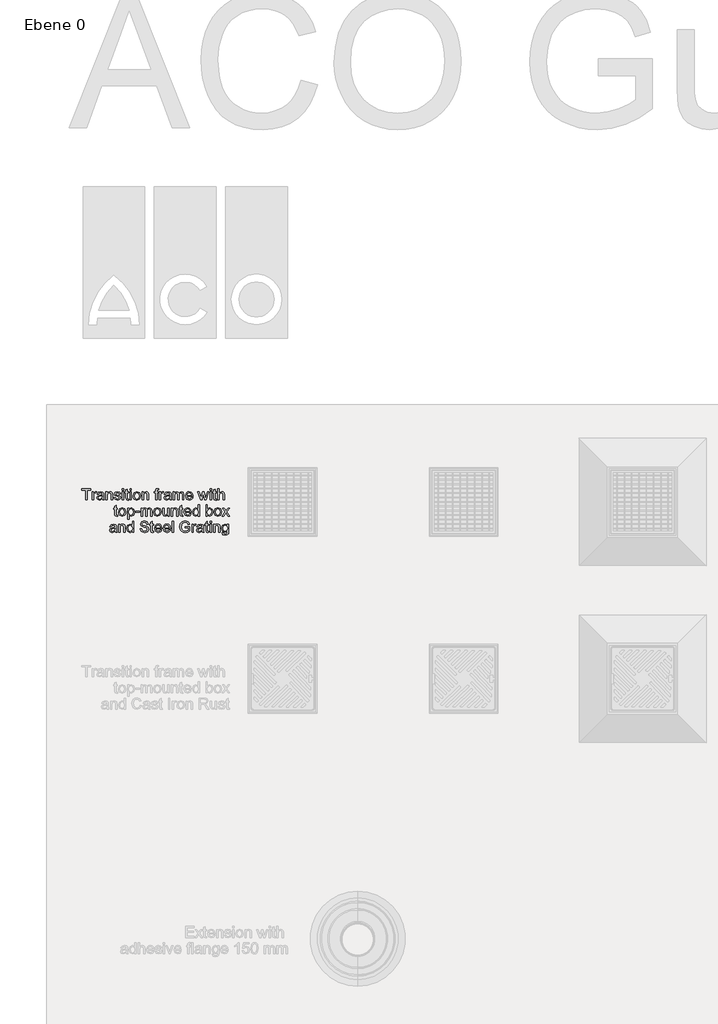
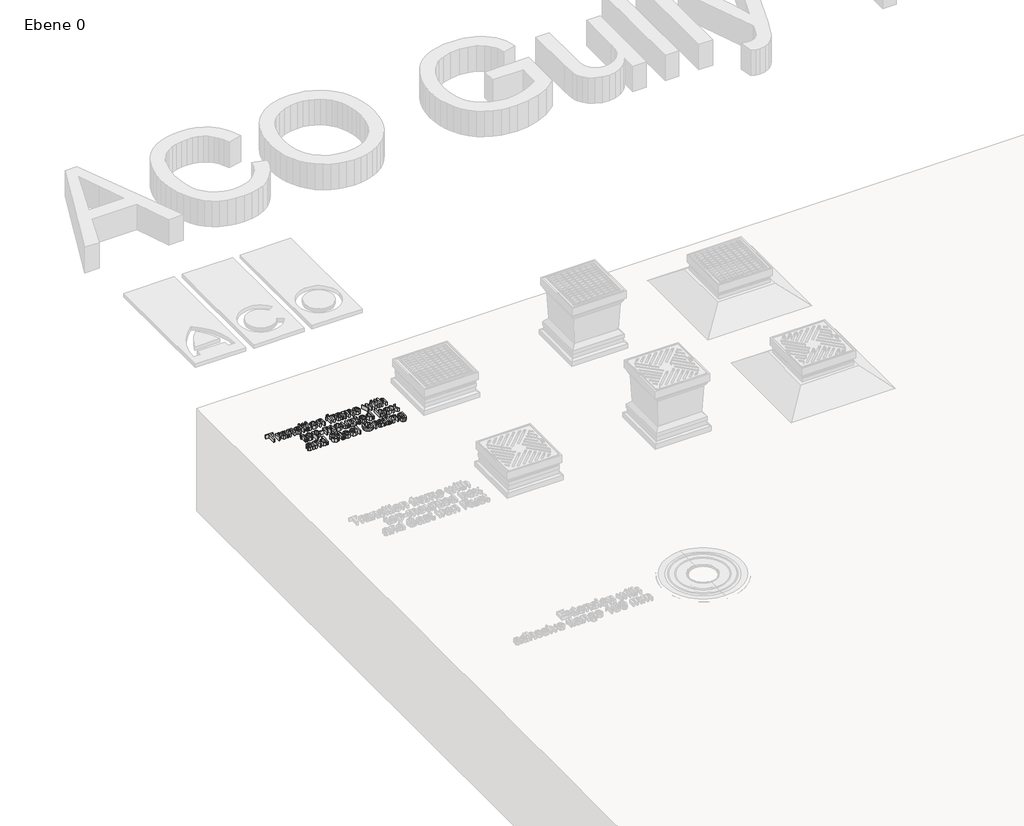
# One storey, part 9 of 12: 1 proxy.
"""IFC4 building model written with IfcOpenShell, lengths in millimetres."""

from ifc_helpers import new_model, si_unit, origin, origin_with_axes, place, context, project, spatial, polyline, outline, extrude, element, save

model = new_model("IFC4")

# Units and contexts
model_context = context("Model", 3, world=origin())
ifc_project = project(units=[si_unit("LENGTHUNIT", "METRE", prefix="MILLI")], contexts=[model_context])

# Site, building, storey
site = spatial("IfcSite", under=ifc_project)
building = spatial("IfcBuilding", under=site)
storey = spatial("IfcBuildingStorey", under=building, Name="Ebene 0", Elevation=0.0)

# Proxy
placement = place(None, origin())
element("IfcBuildingElementProxy", 1, Name="100mm ACO", ObjectType="100mm ACO", at=placement, inside=storey, context=model_context, shape_type="SweptSolid", body=[
    extrude(outline(polyline([(-29308.106162, 22925.4208709), (-29324.8702429, 22925.4208709), (-29324.8702429, 22880.7166552), (-29331.3896076, 22880.7166552), (-29331.3896076, 22925.4208709), (-29348.1536885, 22925.4208709), (-29348.1536885, 22931.0088979), (-29308.106162, 22931.0088979), (-29308.106162, 22925.4208709)])), origin_with_axes(), (0.0, 0.0, 1.0), 20.0),
    extrude(outline(polyline([(-29282.0287028, 22916.5440573), (-29284.0660043, 22912.3821414), (-29288.3443375, 22913.3134792), (-29293.3648304, 22910.0392446), (-29295.0674324, 22900.8713879), (-29295.0674324, 22880.7166552), (-29301.5867972, 22880.7166552), (-29301.5867972, 22917.0388305), (-29295.9987702, 22917.0388305), (-29295.9987702, 22911.6545337), (-29288.2715767, 22917.9701683), (-29282.0287028, 22916.5440573)])), origin_with_axes(), (0.0, 0.0, 1.0), 20.0),
    extrude(outline(polyline([(-29246.6378654, 22880.7166552), (-29253.1572302, 22880.7166552), (-29255.0199058, 22885.1114056), (-29268.0731876, 22879.7853174), (-29276.928173, 22882.6957481), (-29280.1660272, 22890.3792852), (-29276.9936577, 22897.9245768), (-29265.9776775, 22901.8463822), (-29260.2732333, 22902.7195114), (-29255.0199058, 22904.0001009), (-29255.1872556, 22908.0383235), (-29256.1622499, 22910.4903614), (-29258.7598093, 22912.534939), (-29263.5765721, 22913.3134792), (-29269.6520962, 22911.7345705), (-29272.7153245, 22905.8627766), (-29279.2346893, 22906.663145), (-29274.0905031, 22915.1324984), (-29262.6888908, 22917.9701683), (-29253.0044326, 22916.0274558), (-29249.2063205, 22911.3416624), (-29248.500541, 22904.2765918), (-29248.500541, 22895.9673122), (-29248.2240501, 22885.7808047), (-29246.6378654, 22880.7166552)]), holes=[polyline([(-29255.0199058, 22897.0150672), (-29255.0199058, 22899.3434118), (-29266.7271134, 22896.6658155), (-29271.9167751, 22894.624876), (-29273.6466624, 22890.4811503), (-29271.7839867, 22886.1446085), (-29266.4142421, 22884.4420066), (-29258.4614901, 22887.2942286), (-29255.0199058, 22897.0150672)])]), origin_with_axes(), (0.0, 0.0, 1.0), 20.0),
    extrude(outline(polyline([(-29209.3843523, 22880.7166552), (-29215.9037171, 22880.7166552), (-29215.9037171, 22903.3307019), (-29217.8464296, 22911.1743126), (-29223.2525546, 22913.3134792), (-29228.2948758, 22911.9455768), (-29231.6709755, 22908.0892561), (-29232.667798, 22901.0460137), (-29232.667798, 22880.7166552), (-29239.1871628, 22880.7166552), (-29239.1871628, 22917.0388305), (-29233.5991358, 22917.0388305), (-29233.5991358, 22911.9892332), (-29228.6222993, 22916.4785726), (-29221.957413, 22917.9701683), (-29216.2384166, 22916.9369654), (-29211.8145619, 22913.8446328), (-29209.7990887, 22909.4498824), (-29209.3843523, 22903.1415239), (-29209.3843523, 22880.7166552)])), origin_with_axes(), (0.0, 0.0, 1.0), 20.0),
    extrude(outline(polyline([(-29179.5815418, 22906.7941144), (-29181.9899233, 22911.683638), (-29187.556122, 22913.3134792), (-29193.246014, 22911.9164724), (-29195.4142849, 22907.8564216), (-29193.9808978, 22904.2620397), (-29187.2214225, 22902.3120511), (-29178.3082284, 22900.216541), (-29173.7606804, 22897.0368954), (-29172.1308392, 22891.3397273), (-29176.1763379, 22883.1250367), (-29186.988588, 22879.7853174), (-29197.9972922, 22882.5938831), (-29202.8649875, 22891.0050278), (-29196.3456227, 22891.8927092), (-29193.529781, 22886.2974061), (-29186.988588, 22884.4420066), (-29180.8039227, 22886.3701669), (-29178.650204, 22891.0632364), (-29179.6179222, 22894.0682561), (-29182.0335797, 22895.763582), (-29188.8658158, 22897.2187974), (-29199.3942989, 22901.1478788), (-29201.9336497, 22907.4780656), (-29198.171918, 22915.0088051), (-29188.0508952, 22917.9701683), (-29177.5515164, 22915.379885), (-29173.0621771, 22907.6235872), (-29179.5815418, 22906.7941144)])), origin_with_axes(), (0.0, 0.0, 1.0), 20.0),
    extrude(outline(polyline([(-29159.0921096, 22880.7166552), (-29165.6114744, 22880.7166552), (-29165.6114744, 22917.0388305), (-29159.0921096, 22917.0388305), (-29159.0921096, 22880.7166552)])), origin_with_axes(), (0.0, 0.0, 1.0), 20.0),
    extrude(outline(polyline([(-29159.0921096, 22924.4895331), (-29165.6114744, 22924.4895331), (-29165.6114744, 22931.0088979), (-29159.0921096, 22931.0088979), (-29159.0921096, 22924.4895331)])), origin_with_axes(), (0.0, 0.0, 1.0), 20.0),
    extrude(outline(polyline([(-29135.808664, 22880.2073299), (-29140.3780402, 22879.7853174), (-29146.2061777, 22881.2332567), (-29148.4399333, 22884.9076755), (-29148.8473936, 22891.1068929), (-29148.8473936, 22912.3821414), (-29153.5040827, 22912.3821414), (-29153.5040827, 22917.0388305), (-29148.8473936, 22917.0388305), (-29148.8473936, 22926.2648958), (-29142.3280288, 22930.0775601), (-29142.3280288, 22917.0388305), (-29136.7400018, 22917.0388305), (-29136.7400018, 22912.3821414), (-29142.3280288, 22912.3821414), (-29142.3280288, 22889.7971991), (-29141.8041512, 22885.6643874), (-29139.1411071, 22884.4420066), (-29136.6090324, 22884.4420066), (-29135.808664, 22880.2073299)])), origin_with_axes(), (0.0, 0.0, 1.0), 20.0),
    extrude(outline(polyline([(-29123.7012722, 22880.7166552), (-29130.220637, 22880.7166552), (-29130.220637, 22917.0388305), (-29123.7012722, 22917.0388305), (-29123.7012722, 22880.7166552)])), origin_with_axes(), (0.0, 0.0, 1.0), 20.0),
    extrude(outline(polyline([(-29123.7012722, 22924.4895331), (-29130.220637, 22924.4895331), (-29130.220637, 22931.0088979), (-29123.7012722, 22931.0088979), (-29123.7012722, 22924.4895331)])), origin_with_axes(), (0.0, 0.0, 1.0), 20.0),
    extrude(outline(polyline([(-29099.5010409, 22917.9701683), (-29087.4882381, 22913.1534055), (-29082.7224078, 22899.459829), (-29084.0120924, 22890.270144), (-29087.8811463, 22884.2382764), (-29099.5010409, 22879.7853174), (-29111.266457, 22884.3619697), (-29115.0045415, 22890.2792391), (-29116.2505696, 22898.8777429), (-29111.4338068, 22913.2407184), (-29099.5010409, 22917.9701683)]), holes=[polyline([(-29099.5010409, 22884.4420066), (-29091.8538842, 22888.4802292), (-29089.2417726, 22899.1105773), (-29092.1958598, 22909.7336494), (-29099.5010409, 22913.3134792), (-29106.8571545, 22909.6827169), (-29109.7312048, 22898.8631907), (-29106.806222, 22888.0727689), (-29099.5010409, 22884.4420066)])]), origin_with_axes(), (0.0, 0.0, 1.0), 20.0),
    extrude(outline(polyline([(-29045.4688948, 22880.7166552), (-29051.9882595, 22880.7166552), (-29051.9882595, 22903.3307019), (-29053.930972, 22911.1743126), (-29059.3370971, 22913.3134792), (-29064.3794183, 22911.9455768), (-29067.7555179, 22908.0892561), (-29068.7523404, 22901.0460137), (-29068.7523404, 22880.7166552), (-29075.2717052, 22880.7166552), (-29075.2717052, 22917.0388305), (-29069.6836783, 22917.0388305), (-29069.6836783, 22911.9892332), (-29064.7068417, 22916.4785726), (-29058.0419554, 22917.9701683), (-29052.3229591, 22916.9369654), (-29047.8991044, 22913.8446328), (-29045.8836311, 22909.4498824), (-29045.4688948, 22903.1415239), (-29045.4688948, 22880.7166552)])), origin_with_axes(), (0.0, 0.0, 1.0), 20.0),
    extrude(outline(polyline([(-28999.8333412, 22931.4600147), (-29000.6337097, 22927.2835466), (-29003.8060791, 22927.2835466), (-29006.9784486, 22926.2139633), (-29008.2153817, 22920.9242555), (-29008.2153817, 22917.0388305), (-29002.6273547, 22917.0388305), (-29002.6273547, 22912.3821414), (-29008.2153817, 22912.3821414), (-29008.2153817, 22880.7166552), (-29014.7347465, 22880.7166552), (-29014.7347465, 22912.3821414), (-29020.3227734, 22912.3821414), (-29020.3227734, 22917.0388305), (-29014.7347465, 22917.0388305), (-29014.7347465, 22921.0261206), (-29014.2472493, 22926.0466135), (-29011.6787942, 22930.1212165), (-29005.2612945, 22931.9402357), (-28999.8333412, 22931.4600147)])), origin_with_axes(), (0.0, 0.0, 1.0), 20.0),
    extrude(outline(polyline([(-28977.4812334, 22916.5440573), (-28979.5185349, 22912.3821414), (-28983.796868, 22913.3134792), (-28988.817361, 22910.0392446), (-28990.519963, 22900.8713879), (-28990.519963, 22880.7166552), (-28997.0393277, 22880.7166552), (-28997.0393277, 22917.0388305), (-28991.4513008, 22917.0388305), (-28991.4513008, 22911.6545337), (-28983.7241072, 22917.9701683), (-28977.4812334, 22916.5440573)])), origin_with_axes(), (0.0, 0.0, 1.0), 20.0),
    extrude(outline(polyline([(-28942.0903959, 22880.7166552), (-28948.6097607, 22880.7166552), (-28950.4724364, 22885.1114056), (-28963.5257181, 22879.7853174), (-28972.3807036, 22882.6957481), (-28975.6185577, 22890.3792852), (-28972.4461882, 22897.9245768), (-28961.430208, 22901.8463822), (-28955.7257638, 22902.7195114), (-28950.4724364, 22904.0001009), (-28950.6397862, 22908.0383235), (-28951.6147804, 22910.4903614), (-28954.2123399, 22912.534939), (-28959.0291027, 22913.3134792), (-28965.1046268, 22911.7345705), (-28968.1678551, 22905.8627766), (-28974.6872199, 22906.663145), (-28969.5430336, 22915.1324984), (-28958.1414213, 22917.9701683), (-28948.4569631, 22916.0274558), (-28944.6588511, 22911.3416624), (-28943.9530716, 22904.2765918), (-28943.9530716, 22895.9673122), (-28943.6765807, 22885.7808047), (-28942.0903959, 22880.7166552)]), holes=[polyline([(-28950.4724364, 22897.0150672), (-28950.4724364, 22899.3434118), (-28962.1796439, 22896.6658155), (-28967.3693057, 22894.624876), (-28969.0991929, 22890.4811503), (-28967.2365173, 22886.1446085), (-28961.8667726, 22884.4420066), (-28953.9140207, 22887.2942286), (-28950.4724364, 22897.0150672)])]), origin_with_axes(), (0.0, 0.0, 1.0), 20.0),
    extrude(outline(polyline([(-28886.2101263, 22880.7166552), (-28892.7294911, 22880.7166552), (-28892.7294911, 22904.2038311), (-28893.0569146, 22908.6349618), (-28894.7595165, 22911.8946442), (-28899.0451258, 22913.3134792), (-28905.0842695, 22910.7231959), (-28907.6308963, 22902.3120511), (-28907.6308963, 22880.7166552), (-28914.1502611, 22880.7166552), (-28914.1502611, 22904.9023344), (-28915.750998, 22911.5235643), (-28920.2912699, 22913.3134792), (-28926.5923524, 22910.5121896), (-28929.0516664, 22900.027363), (-28929.0516664, 22880.7166552), (-28935.5710312, 22880.7166552), (-28935.5710312, 22917.0388305), (-28929.9830042, 22917.0388305), (-28929.9830042, 22912.061994), (-28925.2644684, 22916.4931247), (-28918.9524718, 22917.9701683), (-28912.3239659, 22916.3767075), (-28908.5622342, 22911.5817729), (-28903.7745757, 22916.3730695), (-28897.4443889, 22917.9701683), (-28889.018692, 22914.9142161), (-28886.2101263, 22905.7463593), (-28886.2101263, 22880.7166552)])), origin_with_axes(), (0.0, 0.0, 1.0), 20.0),
    extrude(outline(polyline([(-28845.2312619, 22897.4807361), (-28872.2400589, 22897.4807361), (-28868.8275789, 22887.7890019), (-28861.253183, 22884.4420066), (-28855.381389, 22886.2974061), (-28851.7506267, 22891.8927092), (-28845.2312619, 22891.1359972), (-28850.921154, 22882.7248524), (-28861.253183, 22879.7853174), (-28874.1245628, 22884.8276386), (-28878.7594237, 22898.601252), (-28874.2919126, 22912.6004237), (-28868.9112538, 22916.6277322), (-28861.7042998, 22917.9701683), (-28854.049867, 22916.231186), (-28847.799717, 22910.3084595), (-28845.2312619, 22897.4807361)]), holes=[polyline([(-28851.7506267, 22902.1374253), (-28855.184935, 22910.6940916), (-28861.8643734, 22913.3134792), (-28868.9949287, 22910.1993183), (-28872.2400589, 22902.1374253), (-28851.7506267, 22902.1374253)])]), origin_with_axes(), (0.0, 0.0, 1.0), 20.0),
    extrude(outline(polyline([(-28773.2854148, 22917.0388305), (-28785.4510152, 22880.7166552), (-28791.6211283, 22880.7166552), (-28796.90356, 22902.5448856), (-28797.565683, 22905.4916967), (-28798.1987017, 22908.7149987), (-28804.6162014, 22880.7166552), (-28810.7863145, 22880.7166552), (-28823.1119885, 22917.0388305), (-28817.3056793, 22917.0388305), (-28808.4434178, 22888.2546708), (-28807.3811106, 22893.1587465), (-28801.8221879, 22917.0388305), (-28794.531559, 22917.0388305), (-28790.1222565, 22897.9900615), (-28788.0704028, 22889.0404871), (-28779.1062762, 22917.0388305), (-28773.2854148, 22917.0388305)])), origin_with_axes(), (0.0, 0.0, 1.0), 20.0),
    extrude(outline(polyline([(-28761.4108575, 22880.7166552), (-28767.9302223, 22880.7166552), (-28767.9302223, 22917.0388305), (-28761.4108575, 22917.0388305), (-28761.4108575, 22880.7166552)])), origin_with_axes(), (0.0, 0.0, 1.0), 20.0),
    extrude(outline(polyline([(-28761.4108575, 22924.4895331), (-28767.9302223, 22924.4895331), (-28767.9302223, 22931.0088979), (-28761.4108575, 22931.0088979), (-28761.4108575, 22924.4895331)])), origin_with_axes(), (0.0, 0.0, 1.0), 20.0),
    extrude(outline(polyline([(-28738.1274118, 22880.2073299), (-28742.696788, 22879.7853174), (-28748.5249255, 22881.2332567), (-28750.7586811, 22884.9076755), (-28751.1661414, 22891.1068929), (-28751.1661414, 22912.3821414), (-28755.8228305, 22912.3821414), (-28755.8228305, 22917.0388305), (-28751.1661414, 22917.0388305), (-28751.1661414, 22926.2648958), (-28744.6467766, 22930.0775601), (-28744.6467766, 22917.0388305), (-28739.0587497, 22917.0388305), (-28739.0587497, 22912.3821414), (-28744.6467766, 22912.3821414), (-28744.6467766, 22889.7971991), (-28744.1228991, 22885.6643874), (-28741.459855, 22884.4420066), (-28738.9277803, 22884.4420066), (-28738.1274118, 22880.2073299)])), origin_with_axes(), (0.0, 0.0, 1.0), 20.0),
    extrude(outline(polyline([(-28702.7365744, 22880.7166552), (-28709.2559392, 22880.7166552), (-28709.2559392, 22904.2038311), (-28711.1113388, 22911.0360672), (-28716.6484332, 22913.3134792), (-28723.1532458, 22910.6286069), (-28726.0200201, 22901.0460137), (-28726.0200201, 22880.7166552), (-28732.5393849, 22880.7166552), (-28732.5393849, 22931.0088979), (-28726.0200201, 22931.0088979), (-28726.0200201, 22912.9933318), (-28715.1786657, 22917.9701683), (-28708.4992272, 22916.5295051), (-28704.02444, 22912.0983744), (-28702.7365744, 22903.7963708), (-28702.7365744, 22880.7166552)])), origin_with_axes(), (0.0, 0.0, 1.0), 20.0),
    extrude(outline(polyline([(-29186.1009066, 22806.9238842), (-29190.6702828, 22806.5018717), (-29196.4984203, 22807.949811), (-29198.7321759, 22811.6242298), (-29199.1396362, 22817.8234472), (-29199.1396362, 22839.0986957), (-29203.7963253, 22839.0986957), (-29203.7963253, 22843.7553848), (-29199.1396362, 22843.7553848), (-29199.1396362, 22852.9814502), (-29192.6202714, 22856.7941144), (-29192.6202714, 22843.7553848), (-29187.0322445, 22843.7553848), (-29187.0322445, 22839.0986957), (-29192.6202714, 22839.0986957), (-29192.6202714, 22816.5137534), (-29192.0963939, 22812.3809418), (-29189.4333498, 22811.1585609), (-29186.9012751, 22811.1585609), (-29186.1009066, 22806.9238842)])), origin_with_axes(), (0.0, 0.0, 1.0), 20.0),
    extrude(outline(polyline([(-29165.6260266, 22844.6867226), (-29153.6132238, 22839.8699598), (-29148.8473936, 22826.1763833), (-29150.1370782, 22816.9866984), (-29154.006132, 22810.9548307), (-29165.6260266, 22806.5018717), (-29177.3914427, 22811.078524), (-29181.1295272, 22816.9957935), (-29182.3755553, 22825.5942972), (-29177.5587925, 22839.9572727), (-29165.6260266, 22844.6867226)]), holes=[polyline([(-29165.6260266, 22811.1585609), (-29157.9788699, 22815.1967835), (-29155.3667583, 22825.8271317), (-29158.3208455, 22836.4502037), (-29165.6260266, 22840.0300335), (-29172.9821402, 22836.3992712), (-29175.8561905, 22825.579745), (-29172.9312077, 22814.7893232), (-29165.6260266, 22811.1585609)])]), origin_with_axes(), (0.0, 0.0, 1.0), 20.0),
    extrude(outline(polyline([(-29134.8118415, 22839.3751866), (-29124.6908187, 22844.6867226), (-29113.7475992, 22839.4770517), (-29109.7312048, 22825.8998924), (-29114.2714767, 22811.7479231), (-29125.4184263, 22806.5018717), (-29134.7027003, 22810.7802049), (-29134.8773261, 22793.4631422), (-29141.3966909, 22793.4631422), (-29141.3966909, 22843.7553848), (-29134.8773261, 22843.7553848), (-29134.8118415, 22839.3751866)]), holes=[polyline([(-29126.1314819, 22811.1585609), (-29119.0518592, 22814.8329796), (-29116.2505696, 22825.7834752), (-29118.9499941, 22836.3410626), (-29125.8549909, 22840.0300335), (-29133.0073744, 22835.9190501), (-29135.808664, 22825.2595977), (-29133.1237916, 22814.7456667), (-29126.1314819, 22811.1585609)])]), origin_with_axes(), (0.0, 0.0, 1.0), 20.0),
    extrude(outline(polyline([(-29085.5164213, 22824.1972905), (-29105.0745157, 22824.1972905), (-29105.0745157, 22828.8539796), (-29085.5164213, 22828.8539796), (-29085.5164213, 22824.1972905)])), origin_with_axes(), (0.0, 0.0, 1.0), 20.0),
    extrude(outline(polyline([(-29030.5674895, 22807.4332096), (-29037.0868543, 22807.4332096), (-29037.0868543, 22830.9203854), (-29037.4142778, 22835.3515161), (-29039.1168797, 22838.6111985), (-29043.4024889, 22840.0300335), (-29049.4416327, 22837.4397502), (-29051.9882595, 22829.0286054), (-29051.9882595, 22807.4332096), (-29058.5076243, 22807.4332096), (-29058.5076243, 22831.6188888), (-29060.1083612, 22838.2401186), (-29064.6486331, 22840.0300335), (-29070.9497156, 22837.228744), (-29073.4090296, 22826.7439173), (-29073.4090296, 22807.4332096), (-29079.9283944, 22807.4332096), (-29079.9283944, 22843.7553848), (-29074.3403674, 22843.7553848), (-29074.3403674, 22838.7785483), (-29069.6218316, 22843.2096791), (-29063.309835, 22844.6867226), (-29056.6813291, 22843.0932618), (-29052.9195974, 22838.2983272), (-29048.1319388, 22843.0896238), (-29041.8017521, 22844.6867226), (-29033.3760552, 22841.6307704), (-29030.5674895, 22832.4629137), (-29030.5674895, 22807.4332096)])), origin_with_axes(), (0.0, 0.0, 1.0), 20.0),
    extrude(outline(polyline([(-29006.3672582, 22844.6867226), (-28994.3544554, 22839.8699598), (-28989.5886251, 22826.1763833), (-28990.8783097, 22816.9866984), (-28994.7473636, 22810.9548307), (-29006.3672582, 22806.5018717), (-29018.1326743, 22811.078524), (-29021.8707588, 22816.9957935), (-29023.1167869, 22825.5942972), (-29018.3000241, 22839.9572727), (-29006.3672582, 22844.6867226)]), holes=[polyline([(-29006.3672582, 22811.1585609), (-28998.7201015, 22815.1967835), (-28996.1079899, 22825.8271317), (-28999.0620771, 22836.4502037), (-29006.3672582, 22840.0300335), (-29013.7233718, 22836.3992712), (-29016.5974221, 22825.579745), (-29013.6724392, 22814.7893232), (-29006.3672582, 22811.1585609)])]), origin_with_axes(), (0.0, 0.0, 1.0), 20.0),
    extrude(outline(polyline([(-28952.335112, 22807.4332096), (-28957.923139, 22807.4332096), (-28957.923139, 22812.7156413), (-28963.0746014, 22808.0553141), (-28969.5939662, 22806.5018717), (-28976.6954171, 22808.2699584), (-28981.046511, 22813.1376538), (-28982.1379225, 22821.1849947), (-28982.1379225, 22843.7553848), (-28975.6185577, 22843.7553848), (-28975.6185577, 22823.1495354), (-28975.167441, 22816.0626366), (-28972.8099921, 22812.5410155), (-28968.2697202, 22811.1585609), (-28961.8594965, 22813.632427), (-28958.8544768, 22823.8771431), (-28958.8544768, 22843.7553848), (-28952.335112, 22843.7553848), (-28952.335112, 22807.4332096)])), origin_with_axes(), (0.0, 0.0, 1.0), 20.0),
    extrude(outline(polyline([(-28913.2189233, 22807.4332096), (-28919.7382881, 22807.4332096), (-28919.7382881, 22830.0472562), (-28921.6810006, 22837.8908669), (-28927.0871256, 22840.0300335), (-28932.1294468, 22838.6621311), (-28935.5055465, 22834.8058104), (-28936.502369, 22827.7625681), (-28936.502369, 22807.4332096), (-28943.0217338, 22807.4332096), (-28943.0217338, 22843.7553848), (-28937.4337068, 22843.7553848), (-28937.4337068, 22838.7057875), (-28932.4568703, 22843.1951269), (-28925.791984, 22844.6867226), (-28920.0729876, 22843.6535197), (-28915.649133, 22840.5611871), (-28913.6336597, 22836.1664367), (-28913.2189233, 22829.8580782), (-28913.2189233, 22807.4332096)])), origin_with_axes(), (0.0, 0.0, 1.0), 20.0),
    extrude(outline(polyline([(-28889.9354776, 22806.9238842), (-28894.5048538, 22806.5018717), (-28900.3329913, 22807.949811), (-28902.5667469, 22811.6242298), (-28902.9742072, 22817.8234472), (-28902.9742072, 22839.0986957), (-28907.6308963, 22839.0986957), (-28907.6308963, 22843.7553848), (-28902.9742072, 22843.7553848), (-28902.9742072, 22852.9814502), (-28896.4548424, 22856.7941144), (-28896.4548424, 22843.7553848), (-28890.8668155, 22843.7553848), (-28890.8668155, 22839.0986957), (-28896.4548424, 22839.0986957), (-28896.4548424, 22816.5137534), (-28895.9309649, 22812.3809418), (-28893.2679208, 22811.1585609), (-28890.7358461, 22811.1585609), (-28889.9354776, 22806.9238842)])), origin_with_axes(), (0.0, 0.0, 1.0), 20.0),
    extrude(outline(polyline([(-28852.6819646, 22824.1972905), (-28879.6907615, 22824.1972905), (-28876.2782815, 22814.5055562), (-28868.7038856, 22811.1585609), (-28862.8320917, 22813.0139605), (-28859.2013293, 22818.6092635), (-28852.6819646, 22817.8525515), (-28858.3718566, 22809.4414068), (-28868.7038856, 22806.5018717), (-28881.5752654, 22811.5441929), (-28886.2101263, 22825.3178063), (-28881.7426152, 22839.316978), (-28876.3619564, 22843.3442865), (-28869.1550024, 22844.6867226), (-28861.5005696, 22842.9477403), (-28855.2504197, 22837.0250138), (-28852.6819646, 22824.1972905)]), holes=[polyline([(-28859.2013293, 22828.8539796), (-28862.6356376, 22837.4106459), (-28869.3150761, 22840.0300335), (-28876.4456313, 22836.9158727), (-28879.6907615, 22828.8539796), (-28859.2013293, 22828.8539796)])]), origin_with_axes(), (0.0, 0.0, 1.0), 20.0),
    extrude(outline(polyline([(-28815.4284515, 22807.4332096), (-28821.9478163, 22807.4332096), (-28821.9478163, 22811.5369169), (-28831.872385, 22806.5018717), (-28842.7355676, 22811.8134078), (-28847.0939376, 22825.5942972), (-28842.9174695, 22839.5643646), (-28831.8869371, 22844.6867226), (-28822.0787856, 22840.0882421), (-28821.9478163, 22857.7254522), (-28815.4284515, 22857.7254522), (-28815.4284515, 22807.4332096)]), holes=[polyline([(-28831.115673, 22811.1585609), (-28824.6108604, 22814.5928691), (-28821.9478163, 22825.0122111), (-28824.385302, 22835.9554305), (-28831.3776118, 22840.0300335), (-28838.2535043, 22836.0427434), (-28840.5745728, 22825.579745), (-28839.3230876, 22817.6560974), (-28835.8305707, 22812.7884021), (-28831.115673, 22811.1585609)])]), origin_with_axes(), (0.0, 0.0, 1.0), 20.0),
    extrude(outline(polyline([(-28779.9503011, 22840.1610029), (-28770.1712539, 22844.6867226), (-28759.0606847, 22839.5643646), (-28754.8914927, 22826.1763833), (-28759.4754211, 22811.5732973), (-28770.2003582, 22806.5018717), (-28779.9066447, 22811.4787083), (-28780.037614, 22807.4332096), (-28786.5569788, 22807.4332096), (-28786.5569788, 22857.7254522), (-28780.037614, 22857.7254522), (-28779.9503011, 22840.1610029)]), holes=[polyline([(-28770.8115487, 22811.1585609), (-28764.0666255, 22814.963949), (-28761.4108575, 22825.6525058), (-28763.8556193, 22836.1518846), (-28770.6078185, 22840.0300335), (-28777.4473307, 22836.0281913), (-28780.037614, 22825.8998924), (-28778.9607547, 22817.3723304), (-28775.7156244, 22812.9994083), (-28770.8115487, 22811.1585609)])]), origin_with_axes(), (0.0, 0.0, 1.0), 20.0),
    extrude(outline(polyline([(-28732.553937, 22844.6867226), (-28720.5411343, 22839.8699598), (-28715.775304, 22826.1763833), (-28717.0649886, 22816.9866984), (-28720.9340424, 22810.9548307), (-28732.553937, 22806.5018717), (-28744.3193532, 22811.078524), (-28748.0574376, 22816.9957935), (-28749.3034658, 22825.5942972), (-28744.4867029, 22839.9572727), (-28732.553937, 22844.6867226)]), holes=[polyline([(-28732.553937, 22811.1585609), (-28724.9067803, 22815.1967835), (-28722.2946688, 22825.8271317), (-28725.2487559, 22836.4502037), (-28732.553937, 22840.0300335), (-28739.9100506, 22836.3992712), (-28742.784101, 22825.579745), (-28739.8591181, 22814.7893232), (-28732.553937, 22811.1585609)])]), origin_with_axes(), (0.0, 0.0, 1.0), 20.0),
    extrude(outline(polyline([(-28678.5217909, 22807.4332096), (-28685.0993643, 22807.4332096), (-28695.3004239, 22821.6361114), (-28705.443275, 22807.4332096), (-28712.0499527, 22807.4332096), (-28698.6037628, 22826.2491441), (-28711.1186148, 22843.7553848), (-28704.5555936, 22843.7553848), (-28695.3004239, 22830.8476246), (-28686.0743586, 22843.7553848), (-28679.4531287, 22843.7553848), (-28691.9970851, 22826.234592), (-28678.5217909, 22807.4332096)])), origin_with_axes(), (0.0, 0.0, 1.0), 20.0),
    extrude(outline(polyline([(-29188.8949201, 22734.1497639), (-29195.4142849, 22734.1497639), (-29197.2769606, 22738.5445143), (-29210.3302423, 22733.2184261), (-29219.1852277, 22736.1288568), (-29222.4230819, 22743.8123938), (-29219.2507124, 22751.3576855), (-29208.2347322, 22755.2794908), (-29202.530288, 22756.1526201), (-29197.2769606, 22757.4332096), (-29197.4443103, 22761.4714322), (-29198.4193046, 22763.92347), (-29201.016864, 22765.9680476), (-29205.8336268, 22766.7465878), (-29211.9091509, 22765.1676792), (-29214.9723793, 22759.2958852), (-29221.4917441, 22760.0962537), (-29216.3475578, 22768.565607), (-29204.9459455, 22771.403277), (-29195.2614873, 22769.4605645), (-29191.4633752, 22764.774771), (-29190.7575958, 22757.7097005), (-29190.7575958, 22749.4004208), (-29190.4811048, 22739.2139133), (-29188.8949201, 22734.1497639)]), holes=[polyline([(-29197.2769606, 22750.4481759), (-29197.2769606, 22752.7765204), (-29208.9841681, 22750.0989242), (-29214.1738298, 22748.0579846), (-29215.9037171, 22743.9142589), (-29214.0410414, 22739.5777172), (-29208.6712968, 22737.8751152), (-29200.7185449, 22740.7273373), (-29197.2769606, 22750.4481759)])]), origin_with_axes(), (0.0, 0.0, 1.0), 20.0),
    extrude(outline(polyline([(-29151.641407, 22734.1497639), (-29158.1607718, 22734.1497639), (-29158.1607718, 22756.7638105), (-29160.1034843, 22764.6074213), (-29165.5096094, 22766.7465878), (-29170.5519306, 22765.3786854), (-29173.9280302, 22761.5223647), (-29174.9248527, 22754.4791224), (-29174.9248527, 22734.1497639), (-29181.4442175, 22734.1497639), (-29181.4442175, 22770.4719391), (-29175.8561905, 22770.4719391), (-29175.8561905, 22765.4223419), (-29170.879354, 22769.9116812), (-29164.2144677, 22771.403277), (-29158.4954714, 22770.3700741), (-29154.0716167, 22767.2777414), (-29152.0561434, 22762.8829911), (-29151.641407, 22756.5746325), (-29151.641407, 22734.1497639)])), origin_with_axes(), (0.0, 0.0, 1.0), 20.0),
    extrude(outline(polyline([(-29112.5252183, 22734.1497639), (-29119.0445831, 22734.1497639), (-29119.0445831, 22738.2534712), (-29128.9691518, 22733.2184261), (-29139.8323344, 22738.5299621), (-29144.1907044, 22752.3108515), (-29140.0142363, 22766.2809189), (-29128.983704, 22771.403277), (-29119.1755525, 22766.8047965), (-29119.0445831, 22784.4420066), (-29112.5252183, 22784.4420066), (-29112.5252183, 22734.1497639)]), holes=[polyline([(-29128.2124398, 22737.8751152), (-29121.7076272, 22741.3094234), (-29119.0445831, 22751.7287654), (-29121.4820688, 22762.6719848), (-29128.4743786, 22766.7465878), (-29135.3502711, 22762.7592978), (-29137.6713396, 22752.2962994), (-29136.4198544, 22744.3726518), (-29132.9273376, 22739.5049564), (-29128.2124398, 22737.8751152)])]), origin_with_axes(), (0.0, 0.0, 1.0), 20.0),
    extrude(outline(polyline([(-29053.8509352, 22769.5406013), (-29057.1106176, 22777.2168623), (-29065.3180322, 22779.7853174), (-29073.1761951, 22777.7843963), (-29076.203043, 22771.9562588), (-29073.9474592, 22766.8993854), (-29064.8087068, 22763.7342921), (-29054.8332056, 22760.976659), (-29048.2192518, 22756.4873196), (-29045.4688948, 22748.3235614), (-29050.511216, 22737.5185874), (-29063.6590867, 22733.2184261), (-29079.1425781, 22737.9915324), (-29084.5850835, 22750.3608629), (-29078.0657187, 22750.9138448), (-29073.6200358, 22741.6950555), (-29063.8919211, 22738.806453), (-29055.2770462, 22741.1857301), (-29051.9882595, 22747.6396102), (-29055.3861874, 22753.8533798), (-29067.0933949, 22757.6005593), (-29079.0625412, 22762.7374695), (-29082.7224078, 22771.403277), (-29078.1312034, 22781.4151586), (-29065.6236274, 22785.3733444), (-29052.5703457, 22781.3860543), (-29047.3315704, 22770.0644788), (-29053.8509352, 22769.5406013)])), origin_with_axes(), (0.0, 0.0, 1.0), 20.0),
    extrude(outline(polyline([(-29023.1167869, 22733.6404385), (-29027.6861631, 22733.2184261), (-29033.5143006, 22734.6663653), (-29035.7480562, 22738.3407841), (-29036.1555165, 22744.5400015), (-29036.1555165, 22765.81525), (-29040.8122056, 22765.81525), (-29040.8122056, 22770.4719391), (-29036.1555165, 22770.4719391), (-29036.1555165, 22779.6980045), (-29029.6361517, 22783.5106687), (-29029.6361517, 22770.4719391), (-29024.0481247, 22770.4719391), (-29024.0481247, 22765.81525), (-29029.6361517, 22765.81525), (-29029.6361517, 22743.2303077), (-29029.1122742, 22739.0974961), (-29026.4492301, 22737.8751152), (-29023.9171553, 22737.8751152), (-29023.1167869, 22733.6404385)])), origin_with_axes(), (0.0, 0.0, 1.0), 20.0),
    extrude(outline(polyline([(-28985.8632738, 22750.9138448), (-29012.8720708, 22750.9138448), (-29009.4595908, 22741.2221105), (-29001.8851949, 22737.8751152), (-28996.0134009, 22739.7305148), (-28992.3826386, 22745.3258178), (-28985.8632738, 22744.5691058), (-28991.5531659, 22736.1579611), (-29001.8851949, 22733.2184261), (-29014.7565747, 22738.2607473), (-29019.3914356, 22752.0343606), (-29014.9239245, 22766.0335323), (-29009.5432657, 22770.0608408), (-29002.3363116, 22771.403277), (-28994.6818789, 22769.6642946), (-28988.4317289, 22763.7415681), (-28985.8632738, 22750.9138448)]), holes=[polyline([(-28992.3826386, 22755.5705339), (-28995.8169468, 22764.1272002), (-29002.4963853, 22766.7465878), (-29009.6269406, 22763.632427), (-29012.8720708, 22755.5705339), (-28992.3826386, 22755.5705339)])]), origin_with_axes(), (0.0, 0.0, 1.0), 20.0),
    extrude(outline(polyline([(-28946.7470851, 22750.9138448), (-28973.7558821, 22750.9138448), (-28970.3434021, 22741.2221105), (-28962.7690061, 22737.8751152), (-28956.8972122, 22739.7305148), (-28953.2664499, 22745.3258178), (-28946.7470851, 22744.5691058), (-28952.4369771, 22736.1579611), (-28962.7690061, 22733.2184261), (-28975.640386, 22738.2607473), (-28980.2752469, 22752.0343606), (-28975.8077357, 22766.0335323), (-28970.4270769, 22770.0608408), (-28963.2201229, 22771.403277), (-28955.5656901, 22769.6642946), (-28949.3155402, 22763.7415681), (-28946.7470851, 22750.9138448)]), holes=[polyline([(-28953.2664499, 22755.5705339), (-28956.7007581, 22764.1272002), (-28963.3801966, 22766.7465878), (-28970.5107518, 22763.632427), (-28973.7558821, 22755.5705339), (-28953.2664499, 22755.5705339)])]), origin_with_axes(), (0.0, 0.0, 1.0), 20.0),
    extrude(outline(polyline([(-28932.7770177, 22734.1497639), (-28939.2963825, 22734.1497639), (-28939.2963825, 22784.4420066), (-28932.7770177, 22784.4420066), (-28932.7770177, 22734.1497639)])), origin_with_axes(), (0.0, 0.0, 1.0), 20.0),
    extrude(outline(polyline([(-28859.2013293, 22740.8583067), (-28868.9621863, 22735.1283962), (-28879.5888965, 22733.2184261), (-28889.8390696, 22734.9865127), (-28897.8882295, 22740.2907727), (-28903.0997195, 22748.5272916), (-28904.8368829, 22759.0921551), (-28902.006489, 22772.4219277), (-28893.6608289, 22781.9826926), (-28880.1709826, 22785.3733444), (-28866.8848664, 22781.6043366), (-28860.1326672, 22770.3118655), (-28866.652032, 22768.6092635), (-28871.5051752, 22776.9840279), (-28880.6512037, 22779.7853174), (-28888.3256456, 22778.3737585), (-28893.857283, 22774.1390818), (-28898.3175181, 22759.3540938), (-28896.1128668, 22747.9815858), (-28889.5716738, 22741.1275215), (-28880.1418783, 22738.806453), (-28865.7206941, 22744.4526886), (-28865.7206941, 22754.6391961), (-28880.6220994, 22754.6391961), (-28880.6220994, 22760.227223), (-28859.2013293, 22760.227223), (-28859.2013293, 22740.8583067)])), origin_with_axes(), (0.0, 0.0, 1.0), 20.0),
    extrude(outline(polyline([(-28830.3298567, 22769.9771659), (-28832.3671582, 22765.81525), (-28836.6454913, 22766.7465878), (-28841.6659843, 22763.4723533), (-28843.3685863, 22754.3044966), (-28843.3685863, 22734.1497639), (-28849.8879511, 22734.1497639), (-28849.8879511, 22770.4719391), (-28844.2999241, 22770.4719391), (-28844.2999241, 22765.0876423), (-28836.5727306, 22771.403277), (-28830.3298567, 22769.9771659)])), origin_with_axes(), (0.0, 0.0, 1.0), 20.0),
    extrude(outline(polyline([(-28794.9390193, 22734.1497639), (-28801.4583841, 22734.1497639), (-28803.3210597, 22738.5445143), (-28816.3743415, 22733.2184261), (-28825.2293269, 22736.1288568), (-28828.4671811, 22743.8123938), (-28825.2948116, 22751.3576855), (-28814.2788313, 22755.2794908), (-28808.5743872, 22756.1526201), (-28803.3210597, 22757.4332096), (-28803.4884095, 22761.4714322), (-28804.4634038, 22763.92347), (-28807.0609632, 22765.9680476), (-28811.877726, 22766.7465878), (-28817.9532501, 22765.1676792), (-28821.0164784, 22759.2958852), (-28827.5358432, 22760.0962537), (-28822.3916569, 22768.565607), (-28810.9900446, 22771.403277), (-28801.3055865, 22769.4605645), (-28797.5074744, 22764.774771), (-28796.8016949, 22757.7097005), (-28796.8016949, 22749.4004208), (-28796.525204, 22739.2139133), (-28794.9390193, 22734.1497639)]), holes=[polyline([(-28803.3210597, 22750.4481759), (-28803.3210597, 22752.7765204), (-28815.0282673, 22750.0989242), (-28820.217929, 22748.0579846), (-28821.9478163, 22743.9142589), (-28820.0851406, 22739.5777172), (-28814.7153959, 22737.8751152), (-28806.762644, 22740.7273373), (-28803.3210597, 22750.4481759)])]), origin_with_axes(), (0.0, 0.0, 1.0), 20.0),
    extrude(outline(polyline([(-28773.5182493, 22733.6404385), (-28778.0876255, 22733.2184261), (-28783.915763, 22734.6663653), (-28786.1495185, 22738.3407841), (-28786.5569788, 22744.5400015), (-28786.5569788, 22765.81525), (-28791.213668, 22765.81525), (-28791.213668, 22770.4719391), (-28786.5569788, 22770.4719391), (-28786.5569788, 22779.6980045), (-28780.037614, 22783.5106687), (-28780.037614, 22770.4719391), (-28774.4495871, 22770.4719391), (-28774.4495871, 22765.81525), (-28780.037614, 22765.81525), (-28780.037614, 22743.2303077), (-28779.5137365, 22739.0974961), (-28776.8506924, 22737.8751152), (-28774.3186177, 22737.8751152), (-28773.5182493, 22733.6404385)])), origin_with_axes(), (0.0, 0.0, 1.0), 20.0),
    extrude(outline(polyline([(-28761.4108575, 22734.1497639), (-28767.9302223, 22734.1497639), (-28767.9302223, 22770.4719391), (-28761.4108575, 22770.4719391), (-28761.4108575, 22734.1497639)])), origin_with_axes(), (0.0, 0.0, 1.0), 20.0),
    extrude(outline(polyline([(-28761.4108575, 22777.9226418), (-28767.9302223, 22777.9226418), (-28767.9302223, 22784.4420066), (-28761.4108575, 22784.4420066), (-28761.4108575, 22777.9226418)])), origin_with_axes(), (0.0, 0.0, 1.0), 20.0),
    extrude(outline(polyline([(-28722.2946688, 22734.1497639), (-28728.8140336, 22734.1497639), (-28728.8140336, 22756.7638105), (-28730.7567461, 22764.6074213), (-28736.1628711, 22766.7465878), (-28741.2051923, 22765.3786854), (-28744.5812919, 22761.5223647), (-28745.5781144, 22754.4791224), (-28745.5781144, 22734.1497639), (-28752.0974792, 22734.1497639), (-28752.0974792, 22770.4719391), (-28746.5094523, 22770.4719391), (-28746.5094523, 22765.4223419), (-28741.5326158, 22769.9116812), (-28734.8677294, 22771.403277), (-28729.1487331, 22770.3700741), (-28724.7248784, 22767.2777414), (-28722.7094051, 22762.8829911), (-28722.2946688, 22756.5746325), (-28722.2946688, 22734.1497639)])), origin_with_axes(), (0.0, 0.0, 1.0), 20.0),
    extrude(outline(polyline([(-28683.17848, 22739.5049564), (-28684.7137322, 22728.1178962), (-28690.1780659, 22722.2679305), (-28699.5642049, 22720.1796965), (-28709.8161971, 22723.0100904), (-28713.9126283, 22732.2870882), (-28707.3932635, 22731.2538853), (-28705.0940233, 22726.4443986), (-28699.4623399, 22724.8363856), (-28692.7683492, 22726.6917852), (-28690.1707898, 22731.2102289), (-28689.6978448, 22738.5590664), (-28699.5496528, 22734.1497639), (-28710.6529459, 22739.4030913), (-28714.8439662, 22752.6601032), (-28710.8566761, 22766.0480845), (-28699.8261437, 22771.403277), (-28689.8288142, 22766.6156185), (-28689.6978448, 22770.4719391), (-28683.17848, 22770.4719391), (-28683.17848, 22739.5049564)]), holes=[polyline([(-28698.5746585, 22738.806453), (-28691.7496985, 22742.0370311), (-28688.766507, 22752.8638334), (-28691.611453, 22763.159482), (-28698.6474193, 22766.7465878), (-28705.6251769, 22763.0721691), (-28708.3246014, 22753.0093549), (-28705.4942075, 22742.211657), (-28698.5746585, 22738.806453)])]), origin_with_axes(), (0.0, 0.0, 1.0), 20.0),
])

save(model, "model.ifc")
